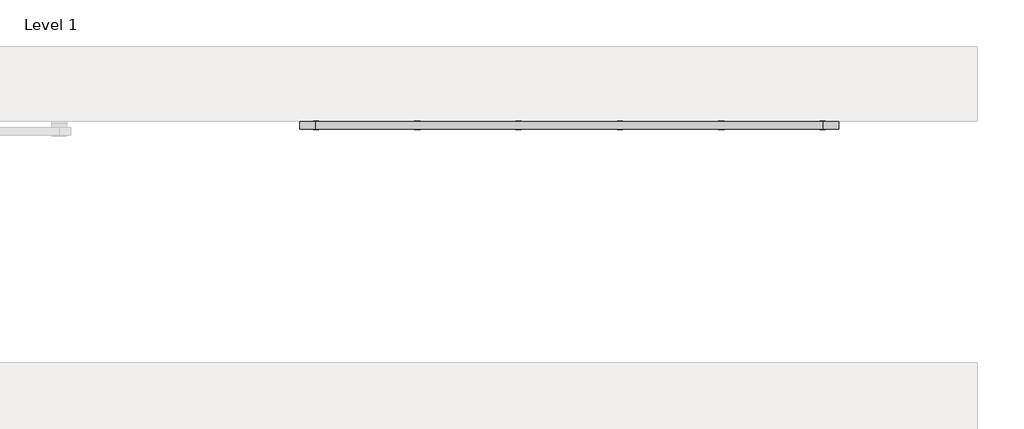
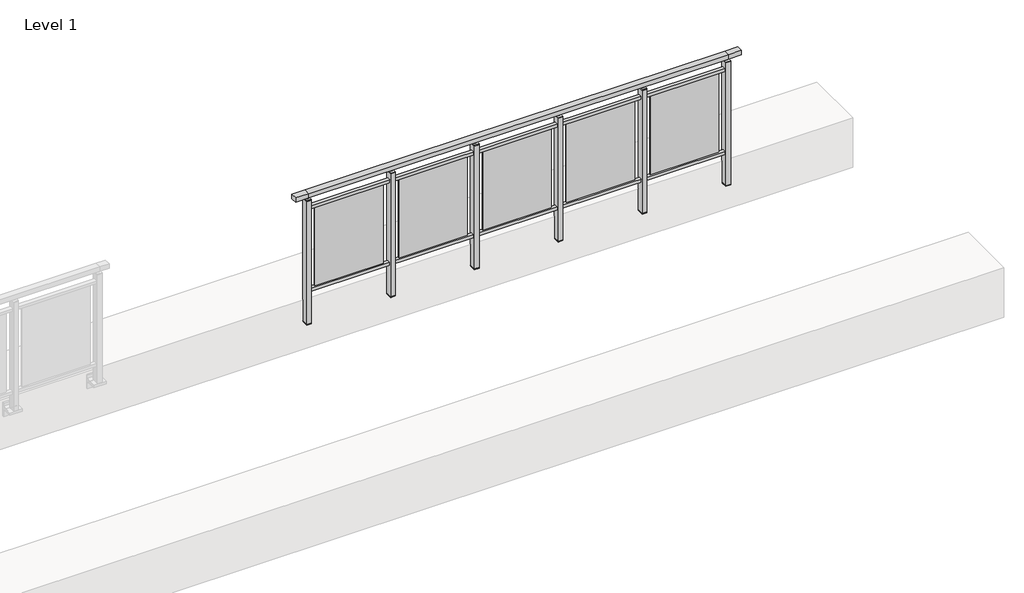
# One storey, part 37 of 37: 1 railing.
"""IFC4 building model written with IfcOpenShell, lengths in millimetres."""

from ifc_helpers import new_model, si_unit, frame, origin, place, context, project, spatial, polyline, outline, extrude, faceted_brep, element, save

model = new_model("IFC4")

# Units and contexts
model_context = context("Model", 3, world=origin())
ifc_project = project(units=[si_unit("LENGTHUNIT", "METRE", prefix="MILLI")], contexts=[model_context])

# Site, building, storey
site = spatial("IfcSite", under=ifc_project)
building = spatial("IfcBuilding", under=site)
storey = spatial("IfcBuildingStorey", under=building, Name="Level 1", Elevation=0.0)

# Railing
placement = place(None, origin())
element("IfcRailing", 1, at=placement, inside=storey, context=model_context, shape_type="SolidModel", body=[
    faceted_brep([(48027.0, 67397.6846828, 1055.0), (48027.0, 67397.6846828, 1100.0), (52027.0, 67397.6846828, 1100.0), (52027.0, 67397.6846828, 1055.0), (48027.0, 67337.6846828, 1055.0), (52027.0, 67337.6846828, 1055.0), (48027.0, 67337.6846828, 1100.0), (52027.0, 67337.6846828, 1100.0), (47899.5, 67397.6846828, 1100.0), (47899.5, 67397.6846828, 1055.0), (47899.5, 67337.6846828, 1055.0), (47899.5, 67337.6846828, 1100.0), (52154.5, 67397.6846828, 1100.0), (52154.5, 67337.6846828, 1100.0), (52154.5, 67337.6846828, 1055.0), (52154.5, 67397.6846828, 1055.0)], [[[0, 1, 2, 3]], [[4, 0, 3, 5]], [[6, 4, 5, 7]], [[1, 6, 7, 2]], [[8, 9, 10, 11]], [[9, 8, 1, 0]], [[10, 9, 0, 4]], [[11, 10, 4, 6]], [[8, 11, 6, 1]], [[12, 13, 14, 15]], [[3, 2, 12, 15]], [[5, 3, 15, 14]], [[7, 5, 14, 13]], [[2, 7, 13, 12]]]),
    extrude(outline(polyline([(48027.0, 67350.1846828), (48027.0, 67385.1846828), (52027.0, 67385.1846828), (52027.0, 67350.1846828), (48027.0, 67350.1846828)])), frame((0.0, 0.0, 930.0), z_axis=(0.0, 0.0, 1.0), x_axis=(1.0, 0.0, 0.0)), (0.0, 0.0, 1.0), 30.0),
    extrude(outline(polyline([(48027.0, 67350.1846828), (48027.0, 67385.1846828), (52027.0, 67385.1846828), (52027.0, 67350.1846828), (48027.0, 67350.1846828)])), frame((0.0, 0.0, 95.0), z_axis=(0.0, 0.0, 1.0), x_axis=(1.0, 0.0, 0.0)), (0.0, 0.0, 1.0), 30.0),
    extrude(outline(polyline([(51299.5, 67365.9094929), (51299.5, 67371.9094929), (51954.5, 67371.9094929), (51954.5, 67365.9094929), (51299.5, 67365.9094929)])), frame((0.0, 0.0, 125.0), z_axis=(0.0, 0.0, 1.0), x_axis=(1.0, 0.0, 0.0)), (0.0, 0.0, 1.0), 805.0),
    extrude(outline(polyline([(51249.5, 67400.1846828), (51249.5, 67335.1846828), (51204.5, 67335.1846828), (51204.5, 67400.1846828), (51249.5, 67400.1846828)])), frame((0.0, 0.0, 1027.0), z_axis=(0.0, 0.0, 1.0), x_axis=(1.0, 0.0, 0.0)), (0.0, 0.0, 1.0), 8.0),
    extrude(outline(polyline([(51249.5, 67400.1846828), (51249.5, 67335.1846828), (51204.5, 67335.1846828), (51204.5, 67400.1846828), (51249.5, 67400.1846828)])), frame((0.0, 0.0, -212.0), z_axis=(0.0, 0.0, 1.0), x_axis=(1.0, 0.0, 0.0)), (0.0, 0.0, 1.0), 1239.0),
    extrude(outline(polyline([(51237.0, 67377.6846828), (51237.0, 67357.6846828), (51217.0, 67357.6846828), (51217.0, 67377.6846828), (51237.0, 67377.6846828)])), frame((0.0, 0.0, 1035.0), z_axis=(0.0, 0.0, 1.0), x_axis=(1.0, 0.0, 0.0)), (0.0, 0.0, 1.0), 20.0),
    extrude(outline(polyline([(51249.5, 67400.1846828), (51249.5, 67335.1846828), (51204.5, 67335.1846828), (51204.5, 67400.1846828), (51249.5, 67400.1846828)])), frame((0.0, 0.0, -220.0), z_axis=(0.0, 0.0, 1.0), x_axis=(1.0, 0.0, 0.0)), (0.0, 0.0, 1.0), 8.0),
    extrude(outline(polyline([(50499.5, 67365.9094929), (50499.5, 67371.9094929), (51154.5, 67371.9094929), (51154.5, 67365.9094929), (50499.5, 67365.9094929)])), frame((0.0, 0.0, 125.0), z_axis=(0.0, 0.0, 1.0), x_axis=(1.0, 0.0, 0.0)), (0.0, 0.0, 1.0), 805.0),
    extrude(outline(polyline([(50449.5, 67400.1846828), (50449.5, 67335.1846828), (50404.5, 67335.1846828), (50404.5, 67400.1846828), (50449.5, 67400.1846828)])), frame((0.0, 0.0, 1027.0), z_axis=(0.0, 0.0, 1.0), x_axis=(1.0, 0.0, 0.0)), (0.0, 0.0, 1.0), 8.0),
    extrude(outline(polyline([(50449.5, 67400.1846828), (50449.5, 67335.1846828), (50404.5, 67335.1846828), (50404.5, 67400.1846828), (50449.5, 67400.1846828)])), frame((0.0, 0.0, -212.0), z_axis=(0.0, 0.0, 1.0), x_axis=(1.0, 0.0, 0.0)), (0.0, 0.0, 1.0), 1239.0),
    extrude(outline(polyline([(50437.0, 67377.6846828), (50437.0, 67357.6846828), (50417.0, 67357.6846828), (50417.0, 67377.6846828), (50437.0, 67377.6846828)])), frame((0.0, 0.0, 1035.0), z_axis=(0.0, 0.0, 1.0), x_axis=(1.0, 0.0, 0.0)), (0.0, 0.0, 1.0), 20.0),
    extrude(outline(polyline([(50449.5, 67400.1846828), (50449.5, 67335.1846828), (50404.5, 67335.1846828), (50404.5, 67400.1846828), (50449.5, 67400.1846828)])), frame((0.0, 0.0, -220.0), z_axis=(0.0, 0.0, 1.0), x_axis=(1.0, 0.0, 0.0)), (0.0, 0.0, 1.0), 8.0),
    extrude(outline(polyline([(49699.5, 67365.9094929), (49699.5, 67371.9094929), (50354.5, 67371.9094929), (50354.5, 67365.9094929), (49699.5, 67365.9094929)])), frame((0.0, 0.0, 125.0), z_axis=(0.0, 0.0, 1.0), x_axis=(1.0, 0.0, 0.0)), (0.0, 0.0, 1.0), 805.0),
    extrude(outline(polyline([(49649.5, 67400.1846828), (49649.5, 67335.1846828), (49604.5, 67335.1846828), (49604.5, 67400.1846828), (49649.5, 67400.1846828)])), frame((0.0, 0.0, 1027.0), z_axis=(0.0, 0.0, 1.0), x_axis=(1.0, 0.0, 0.0)), (0.0, 0.0, 1.0), 8.0),
    extrude(outline(polyline([(49649.5, 67400.1846828), (49649.5, 67335.1846828), (49604.5, 67335.1846828), (49604.5, 67400.1846828), (49649.5, 67400.1846828)])), frame((0.0, 0.0, -212.0), z_axis=(0.0, 0.0, 1.0), x_axis=(1.0, 0.0, 0.0)), (0.0, 0.0, 1.0), 1239.0),
    extrude(outline(polyline([(49637.0, 67377.6846828), (49637.0, 67357.6846828), (49617.0, 67357.6846828), (49617.0, 67377.6846828), (49637.0, 67377.6846828)])), frame((0.0, 0.0, 1035.0), z_axis=(0.0, 0.0, 1.0), x_axis=(1.0, 0.0, 0.0)), (0.0, 0.0, 1.0), 20.0),
    extrude(outline(polyline([(49649.5, 67400.1846828), (49649.5, 67335.1846828), (49604.5, 67335.1846828), (49604.5, 67400.1846828), (49649.5, 67400.1846828)])), frame((0.0, 0.0, -220.0), z_axis=(0.0, 0.0, 1.0), x_axis=(1.0, 0.0, 0.0)), (0.0, 0.0, 1.0), 8.0),
    extrude(outline(polyline([(48899.5, 67365.9094929), (48899.5, 67371.9094929), (49554.5, 67371.9094929), (49554.5, 67365.9094929), (48899.5, 67365.9094929)])), frame((0.0, 0.0, 125.0), z_axis=(0.0, 0.0, 1.0), x_axis=(1.0, 0.0, 0.0)), (0.0, 0.0, 1.0), 805.0),
    extrude(outline(polyline([(48849.5, 67400.1846828), (48849.5, 67335.1846828), (48804.5, 67335.1846828), (48804.5, 67400.1846828), (48849.5, 67400.1846828)])), frame((0.0, 0.0, 1027.0), z_axis=(0.0, 0.0, 1.0), x_axis=(1.0, 0.0, 0.0)), (0.0, 0.0, 1.0), 8.0),
    extrude(outline(polyline([(48849.5, 67400.1846828), (48849.5, 67335.1846828), (48804.5, 67335.1846828), (48804.5, 67400.1846828), (48849.5, 67400.1846828)])), frame((0.0, 0.0, -212.0), z_axis=(0.0, 0.0, 1.0), x_axis=(1.0, 0.0, 0.0)), (0.0, 0.0, 1.0), 1239.0),
    extrude(outline(polyline([(48837.0, 67377.6846828), (48837.0, 67357.6846828), (48817.0, 67357.6846828), (48817.0, 67377.6846828), (48837.0, 67377.6846828)])), frame((0.0, 0.0, 1035.0), z_axis=(0.0, 0.0, 1.0), x_axis=(1.0, 0.0, 0.0)), (0.0, 0.0, 1.0), 20.0),
    extrude(outline(polyline([(48849.5, 67400.1846828), (48849.5, 67335.1846828), (48804.5, 67335.1846828), (48804.5, 67400.1846828), (48849.5, 67400.1846828)])), frame((0.0, 0.0, -220.0), z_axis=(0.0, 0.0, 1.0), x_axis=(1.0, 0.0, 0.0)), (0.0, 0.0, 1.0), 8.0),
    extrude(outline(polyline([(48099.5, 67365.9094929), (48099.5, 67371.9094929), (48754.5, 67371.9094929), (48754.5, 67365.9094929), (48099.5, 67365.9094929)])), frame((0.0, 0.0, 125.0), z_axis=(0.0, 0.0, 1.0), x_axis=(1.0, 0.0, 0.0)), (0.0, 0.0, 1.0), 805.0),
    extrude(outline(polyline([(52049.5, 67400.1846828), (52049.5, 67335.1846828), (52004.5, 67335.1846828), (52004.5, 67400.1846828), (52049.5, 67400.1846828)])), frame((0.0, 0.0, 1027.0), z_axis=(0.0, 0.0, 1.0), x_axis=(1.0, 0.0, 0.0)), (0.0, 0.0, 1.0), 8.0),
    extrude(outline(polyline([(52049.5, 67400.1846828), (52049.5, 67335.1846828), (52004.5, 67335.1846828), (52004.5, 67400.1846828), (52049.5, 67400.1846828)])), frame((0.0, 0.0, -212.0), z_axis=(0.0, 0.0, 1.0), x_axis=(1.0, 0.0, 0.0)), (0.0, 0.0, 1.0), 1239.0),
    extrude(outline(polyline([(52037.0, 67377.6846828), (52037.0, 67357.6846828), (52017.0, 67357.6846828), (52017.0, 67377.6846828), (52037.0, 67377.6846828)])), frame((0.0, 0.0, 1035.0), z_axis=(0.0, 0.0, 1.0), x_axis=(1.0, 0.0, 0.0)), (0.0, 0.0, 1.0), 20.0),
    extrude(outline(polyline([(52049.5, 67400.1846828), (52049.5, 67335.1846828), (52004.5, 67335.1846828), (52004.5, 67400.1846828), (52049.5, 67400.1846828)])), frame((0.0, 0.0, -220.0), z_axis=(0.0, 0.0, 1.0), x_axis=(1.0, 0.0, 0.0)), (0.0, 0.0, 1.0), 8.0),
    extrude(outline(polyline([(48049.5, 67400.1846828), (48049.5, 67335.1846828), (48004.5, 67335.1846828), (48004.5, 67400.1846828), (48049.5, 67400.1846828)])), frame((0.0, 0.0, 1027.0), z_axis=(0.0, 0.0, 1.0), x_axis=(1.0, 0.0, 0.0)), (0.0, 0.0, 1.0), 8.0),
    extrude(outline(polyline([(48049.5, 67400.1846828), (48049.5, 67335.1846828), (48004.5, 67335.1846828), (48004.5, 67400.1846828), (48049.5, 67400.1846828)])), frame((0.0, 0.0, -212.0), z_axis=(0.0, 0.0, 1.0), x_axis=(1.0, 0.0, 0.0)), (0.0, 0.0, 1.0), 1239.0),
    extrude(outline(polyline([(48037.0, 67377.6846828), (48037.0, 67357.6846828), (48017.0, 67357.6846828), (48017.0, 67377.6846828), (48037.0, 67377.6846828)])), frame((0.0, 0.0, 1035.0), z_axis=(0.0, 0.0, 1.0), x_axis=(1.0, 0.0, 0.0)), (0.0, 0.0, 1.0), 20.0),
    extrude(outline(polyline([(48049.5, 67400.1846828), (48049.5, 67335.1846828), (48004.5, 67335.1846828), (48004.5, 67400.1846828), (48049.5, 67400.1846828)])), frame((0.0, 0.0, -220.0), z_axis=(0.0, 0.0, 1.0), x_axis=(1.0, 0.0, 0.0)), (0.0, 0.0, 1.0), 8.0),
])

save(model, "model.ifc")
